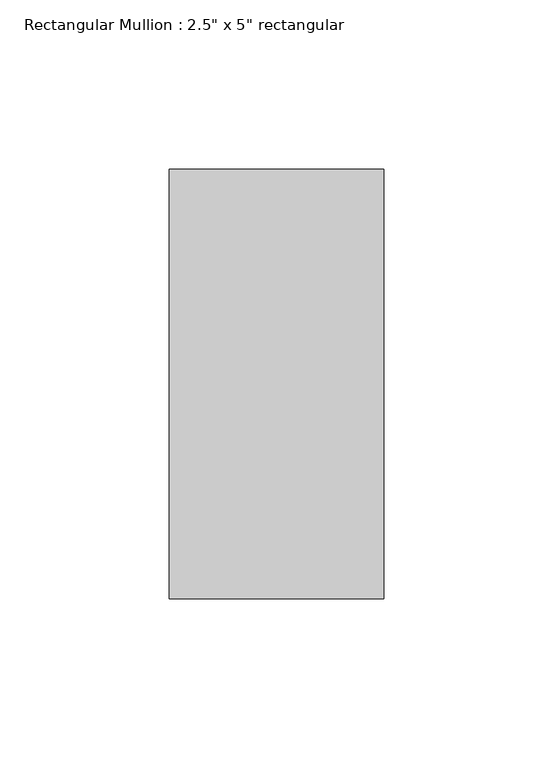
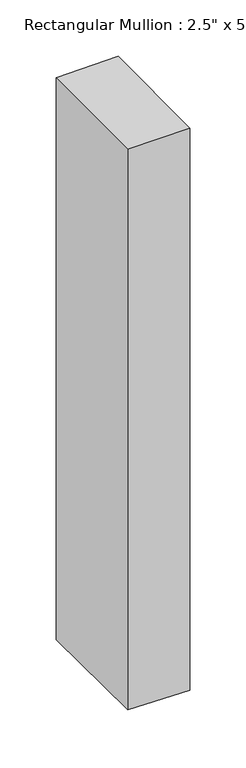
"""IFC4 building model written with IfcOpenShell, lengths in millimetres: member geometry."""

from ifc_helpers import new_model, si_unit, origin, place, context, project, spatial, faceted_brep, source, transform, mapped, element, save


def member_9a4e0aed(model_context):
    return source(origin(), model_context, "Body", "Brep", [
        faceted_brep([(-63.5, 63.5, -0.6590094), (0.0, 63.5, 0.3880051), (0.0, 63.5, -611.1542183), (-63.5, 63.5, -610.0060026), (-63.5, -63.5, -1.4350196), (-63.5, -63.5, -609.2267096), (0.0, -63.5, -0.3880051), (0.0, -63.5, -610.3749253)], [[[0, 1, 2, 3]], [[4, 0, 3, 5]], [[6, 4, 5, 7]], [[1, 6, 7, 2]], [[1, 0, 4, 6]], [[2, 7, 5, 3]]]),
    ])


if __name__ == "__main__":
    model = new_model("IFC4")
    model_context = context("Model", 3, world=origin())
    ifc_project = project(units=[si_unit("LENGTHUNIT", "METRE", prefix="MILLI")], contexts=[model_context])
    site = spatial("IfcSite", under=ifc_project)
    building = spatial("IfcBuilding", under=site)
    placement = place(None, origin())
    member_shape = member_9a4e0aed(model_context)
    element("IfcMember", 1, ObjectType="Rectangular Mullion : 2.5\" x 5\" rectangular", at=placement, inside=building, context=model_context, shape_type="MappedRepresentation", body=[
        mapped(member_shape, transform((0.0, 0.0, 0.0), x_axis=(1.0, 0.0, 0.0), y_axis=(0.0, 1.0, 0.0), z_axis=(0.0, 0.0, 1.0))),
    ])
    save(model, "model.ifc")
